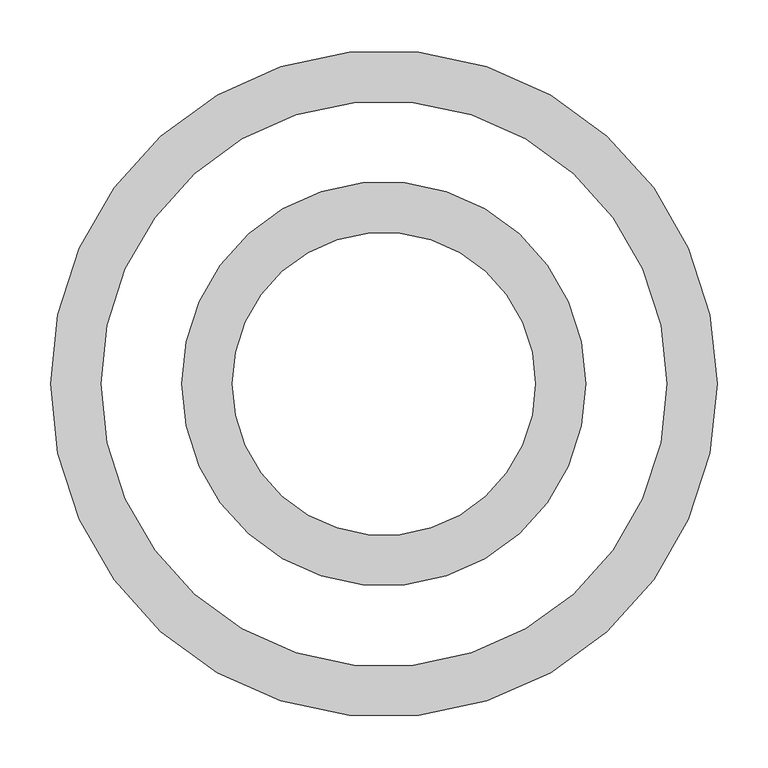
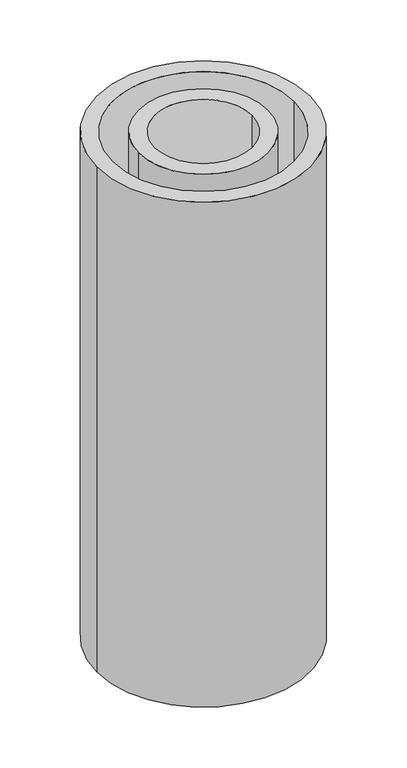
"""IFC4 building model written with IfcOpenShell, lengths in millimetres: proxy geometry."""

from ifc_helpers import new_model, si_unit, point, origin, origin_with_axes, origin_2d, place, context, project, spatial, circle_curve, trimmed, segment, composite_curve, outline, extrude, source, transform, mapped, element, save


def generic_models_01feb06a(model_context):
    return source(origin(), model_context, "Body", "SweptSolid", [
        extrude(outline(composite_curve([segment(trimmed(circle_curve(origin_2d(), 200.0), [point((-200.0, 0.0))], [point((200.0, 0.0))], False, "CARTESIAN"), True, "CONTINUOUS"), segment(trimmed(circle_curve(origin_2d(), 200.0), [point((200.0, 0.0))], [point((-200.0, 0.0))], False, "CARTESIAN"), True, "CONTINUOUS")], self_intersect=False), holes=[composite_curve([segment(trimmed(circle_curve(origin_2d(), 150.0), [point((-150.0, 0.0))], [point((150.0, 0.0))], True, "CARTESIAN"), True, "CONTINUOUS"), segment(trimmed(circle_curve(origin_2d(), 150.0), [point((150.0, 0.0))], [point((-150.0, 0.0))], True, "CARTESIAN"), True, "CONTINUOUS")], self_intersect=False)]), origin_with_axes(), (0.0, 0.0, 1.0), 1650.624144),
        extrude(outline(composite_curve([segment(trimmed(circle_curve(origin_2d(), 330.0), [point((-330.0, 0.0))], [point((330.0, 0.0))], False, "CARTESIAN"), True, "CONTINUOUS"), segment(trimmed(circle_curve(origin_2d(), 330.0), [point((330.0, 0.0))], [point((-330.0, 0.0))], False, "CARTESIAN"), True, "CONTINUOUS")], self_intersect=False), holes=[composite_curve([segment(trimmed(circle_curve(origin_2d(), 280.0), [point((-280.0, 0.0))], [point((280.0, 0.0))], True, "CARTESIAN"), True, "CONTINUOUS"), segment(trimmed(circle_curve(origin_2d(), 280.0), [point((280.0, 0.0))], [point((-280.0, 0.0))], True, "CARTESIAN"), True, "CONTINUOUS")], self_intersect=False)]), origin_with_axes(), (0.0, 0.0, 1.0), 1650.624144),
    ])


if __name__ == "__main__":
    model = new_model("IFC4")
    model_context = context("Model", 3, world=origin())
    ifc_project = project(units=[si_unit("LENGTHUNIT", "METRE", prefix="MILLI")], contexts=[model_context])
    site = spatial("IfcSite", under=ifc_project)
    building = spatial("IfcBuilding", under=site)
    placement = place(None, origin())
    generic_models_shape = generic_models_01feb06a(model_context)
    element("IfcBuildingElementProxy", 1, Name="Generic Models", at=placement, inside=building, context=model_context, shape_type="MappedRepresentation", body=[
        mapped(generic_models_shape, transform((0.0, 0.0, 0.0), x_axis=(1.0, 0.0, 0.0), y_axis=(0.0, 1.0, 0.0), z_axis=(0.0, 0.0, 1.0))),
    ])
    save(model, "model.ifc")
